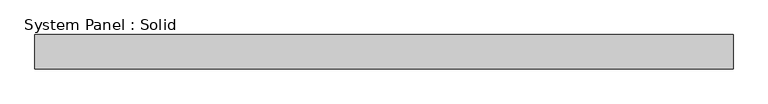
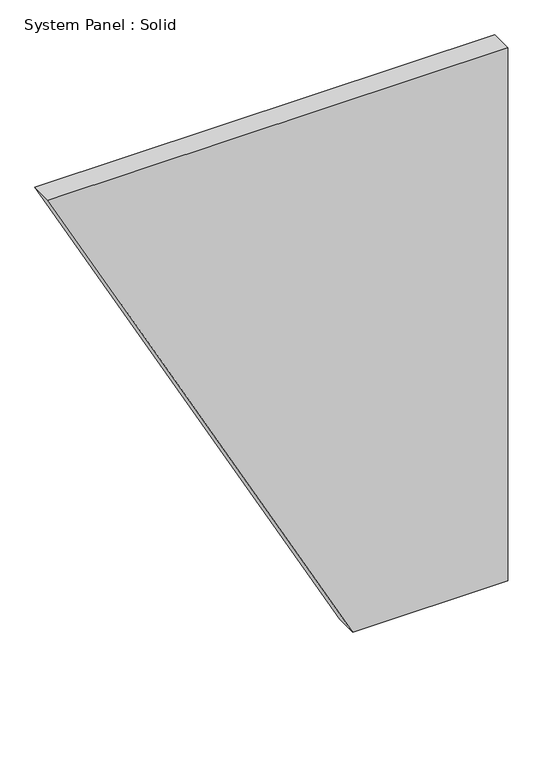
"""IFC4 building model written with IfcOpenShell, lengths in millimetres: plate geometry, System Panel : Solid."""

from ifc_helpers import new_model, si_unit, frame, origin, place, context, project, spatial, polyline, outline, extrude, source, transform, mapped, element, save


def system_panel_solid_fdf1271b(model_context):
    return source(origin(), model_context, "Body", "SweptSolid", [
        extrude(outline(polyline([(0.0, 199.1094867), (0.0, 611.8125602), (1500.0, 611.8125602), (1500.0, -611.8125602), (0.0, 199.1094867)])), frame((0.0, -10.5, 0.0), z_axis=(0.0, 1.0, 0.0), x_axis=(0.0, 0.0, 1.0)), (0.0, 0.0, 1.0), 60.0),
    ])


if __name__ == "__main__":
    model = new_model("IFC4")
    model_context = context("Model", 3, world=origin())
    ifc_project = project(units=[si_unit("LENGTHUNIT", "METRE", prefix="MILLI")], contexts=[model_context])
    site = spatial("IfcSite", under=ifc_project)
    building = spatial("IfcBuilding", under=site)
    placement = place(None, origin())
    system_panel_solid_shape = system_panel_solid_fdf1271b(model_context)
    element("IfcPlate", 1, ObjectType="System Panel : Solid", at=placement, inside=building, context=model_context, shape_type="MappedRepresentation", body=[
        mapped(system_panel_solid_shape, transform((0.0, 0.0, 0.0), x_axis=(1.0, 0.0, 0.0), y_axis=(0.0, 1.0, 0.0), z_axis=(0.0, 0.0, 1.0))),
    ])
    save(model, "model.ifc")
